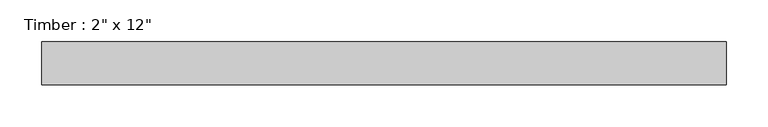
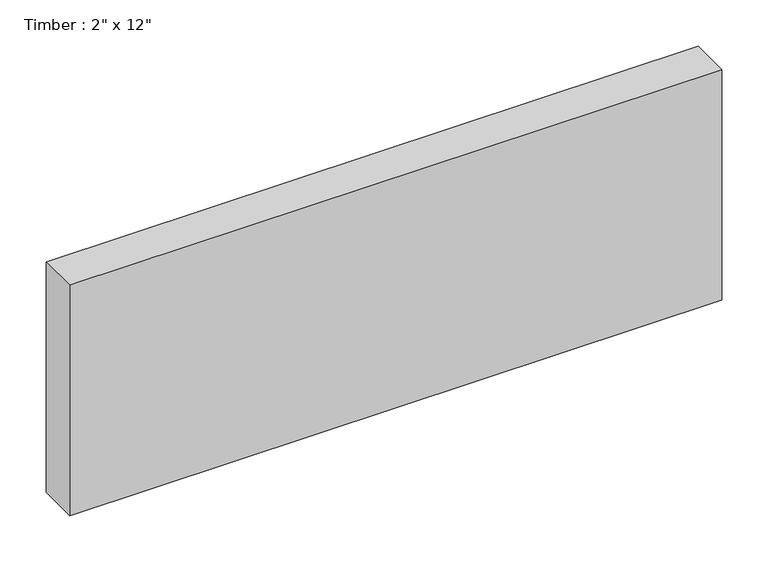
"""IFC4 building model written with IfcOpenShell, lengths in millimetres: beam geometry."""

from ifc_helpers import new_model, si_unit, frame, origin, place, context, project, spatial, polyline, outline, extrude, source, transform, mapped, element, save


def beam_7fdaffbd(model_context):
    return source(origin(), model_context, "Body", "SweptSolid", [
        extrude(outline(polyline([(407.3779224, 25.4), (407.3779224, -25.4), (-407.3779224, -25.4), (-407.3779224, 25.4), (407.3779224, 25.4)])), frame((0.0, 0.0, -152.4), z_axis=(0.0, 0.0, 1.0), x_axis=(1.0, 0.0, 0.0)), (0.0, 0.0, 1.0), 304.8),
    ])


if __name__ == "__main__":
    model = new_model("IFC4")
    model_context = context("Model", 3, world=origin())
    ifc_project = project(units=[si_unit("LENGTHUNIT", "METRE", prefix="MILLI")], contexts=[model_context])
    site = spatial("IfcSite", under=ifc_project)
    building = spatial("IfcBuilding", under=site)
    placement = place(None, origin())
    beam_shape = beam_7fdaffbd(model_context)
    element("IfcBeam", 1, ObjectType="Timber : 2\" x 12\"", at=placement, inside=building, context=model_context, shape_type="MappedRepresentation", body=[
        mapped(beam_shape, transform((0.0, 0.0, 0.0), x_axis=(1.0, 0.0, 0.0), y_axis=(0.0, 1.0, 0.0), z_axis=(0.0, 0.0, 1.0))),
    ])
    save(model, "model.ifc")
